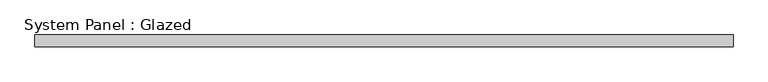
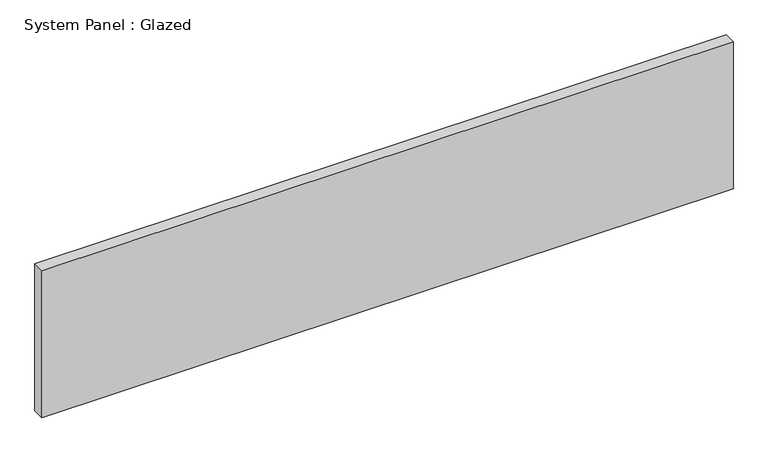
"""IFC4 building model written with IfcOpenShell, lengths in millimetres: plate geometry, System Panel : Glazed."""

from ifc_helpers import new_model, si_unit, origin, origin_with_axes, place, context, project, spatial, polyline, outline, extrude, source, transform, mapped, element, save


def system_panel_glazed_e63543ed(model_context):
    return source(origin(), model_context, "Body", "SweptSolid", [
        extrude(outline(polyline([(734.9750147, 24.5), (-734.9750147, 24.5), (-734.9750147, 49.5), (734.9750147, 49.5), (734.9750147, 24.5)])), origin_with_axes(), (0.0, 0.0, 1.0), 330.6255213),
    ])


if __name__ == "__main__":
    model = new_model("IFC4")
    model_context = context("Model", 3, world=origin())
    ifc_project = project(units=[si_unit("LENGTHUNIT", "METRE", prefix="MILLI")], contexts=[model_context])
    site = spatial("IfcSite", under=ifc_project)
    building = spatial("IfcBuilding", under=site)
    placement = place(None, origin())
    system_panel_glazed_shape = system_panel_glazed_e63543ed(model_context)
    element("IfcPlate", 1, ObjectType="System Panel : Glazed", at=placement, inside=building, context=model_context, shape_type="MappedRepresentation", body=[
        mapped(system_panel_glazed_shape, transform((0.0, 0.0, 0.0), x_axis=(1.0, 0.0, 0.0), y_axis=(0.0, 1.0, 0.0), z_axis=(0.0, 0.0, 1.0))),
    ])
    save(model, "model.ifc")
